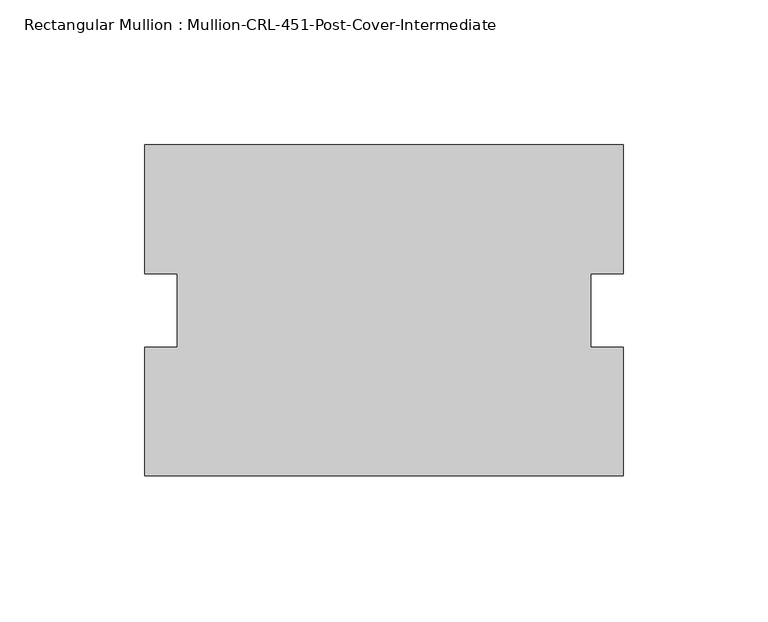
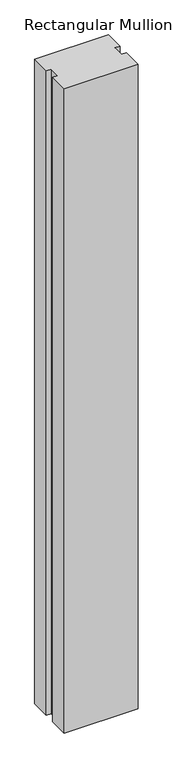
"""IFC4 building model written with IfcOpenShell, lengths in millimetres: member geometry, Rectangular Mullion : Mullion-CRL-451-Post-Cover-Intermediate."""

from ifc_helpers import new_model, si_unit, frame, origin, place, context, project, spatial, polyline, outline, extrude, source, transform, mapped, element, save


def rectangular_mullion_mullion_crl_451_post_cover_intermediate_c1e53c80(model_context):
    return source(origin(), model_context, "Body", "SweptSolid", [
        extrude(outline(polyline([(82.55, -57.15), (-82.55, -57.15), (-82.55, -12.7), (-71.4375, -12.7), (-71.4375, 12.7), (-82.55, 12.7), (-82.55, 57.15), (82.55, 57.15), (82.55, 12.7), (71.4375, 12.7), (71.4375, -12.7), (82.55, -12.7), (82.55, -57.15)])), frame((0.0, 0.0, -1524.0), z_axis=(0.0, 0.0, 1.0), x_axis=(1.0, 0.0, 0.0)), (0.0, 0.0, 1.0), 1524.0),
    ])


if __name__ == "__main__":
    model = new_model("IFC4")
    model_context = context("Model", 3, world=origin())
    ifc_project = project(units=[si_unit("LENGTHUNIT", "METRE", prefix="MILLI")], contexts=[model_context])
    site = spatial("IfcSite", under=ifc_project)
    building = spatial("IfcBuilding", under=site)
    placement = place(None, origin())
    rectangular_mullion_mullion_crl_451_post_cover_intermediate_shape = rectangular_mullion_mullion_crl_451_post_cover_intermediate_c1e53c80(model_context)
    element("IfcMember", 1, ObjectType="Rectangular Mullion : Mullion-CRL-451-Post-Cover-Intermediate", at=placement, inside=building, context=model_context, shape_type="MappedRepresentation", body=[
        mapped(rectangular_mullion_mullion_crl_451_post_cover_intermediate_shape, transform((0.0, 0.0, 0.0), x_axis=(1.0, 0.0, 0.0), y_axis=(0.0, 1.0, 0.0), z_axis=(0.0, 0.0, 1.0))),
    ])
    save(model, "model.ifc")
